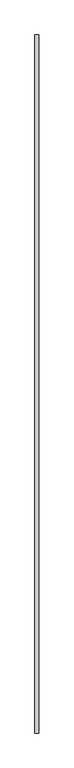
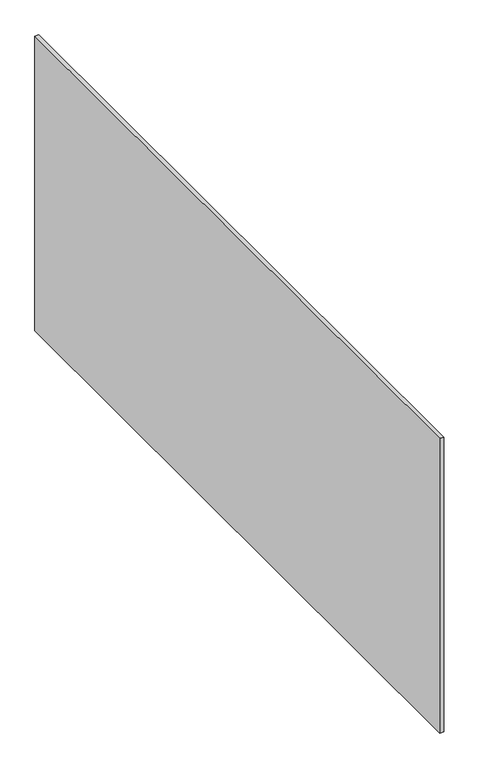
"""IFC4 building model written with IfcOpenShell, lengths in millimetres: proxy geometry."""

from ifc_helpers import new_model, si_unit, origin, origin_with_axes, place, context, project, spatial, polyline, outline, extrude, source, transform, mapped, element, save


def generic_models_ea9f7fcb(model_context):
    return source(origin(), model_context, "Body", "SweptSolid", [
        extrude(outline(polyline([(20.0, -3600.0), (0.0, -3600.0), (0.0, 0.0), (20.0, 0.0), (20.0, -3600.0)])), origin_with_axes(), (0.0, 0.0, 1.0), 1600.0),
    ])


if __name__ == "__main__":
    model = new_model("IFC4")
    model_context = context("Model", 3, world=origin())
    ifc_project = project(units=[si_unit("LENGTHUNIT", "METRE", prefix="MILLI")], contexts=[model_context])
    site = spatial("IfcSite", under=ifc_project)
    building = spatial("IfcBuilding", under=site)
    placement = place(None, origin())
    generic_models_shape = generic_models_ea9f7fcb(model_context)
    element("IfcBuildingElementProxy", 1, Name="Generic Models", at=placement, inside=building, context=model_context, shape_type="MappedRepresentation", body=[
        mapped(generic_models_shape, transform((0.0, 0.0, 0.0), x_axis=(1.0, 0.0, 0.0), y_axis=(0.0, 1.0, 0.0), z_axis=(0.0, 0.0, 1.0))),
    ])
    save(model, "model.ifc")
